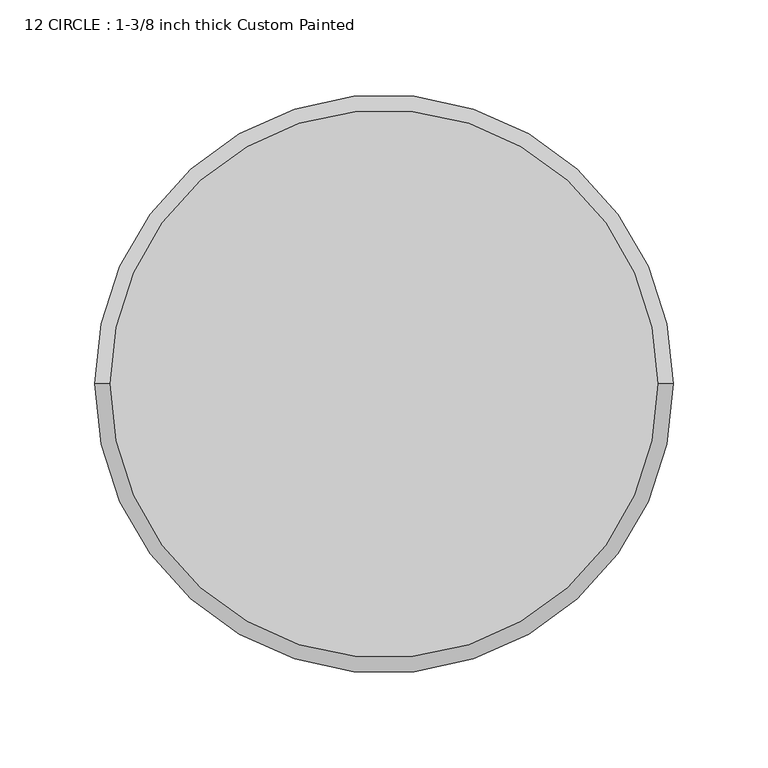
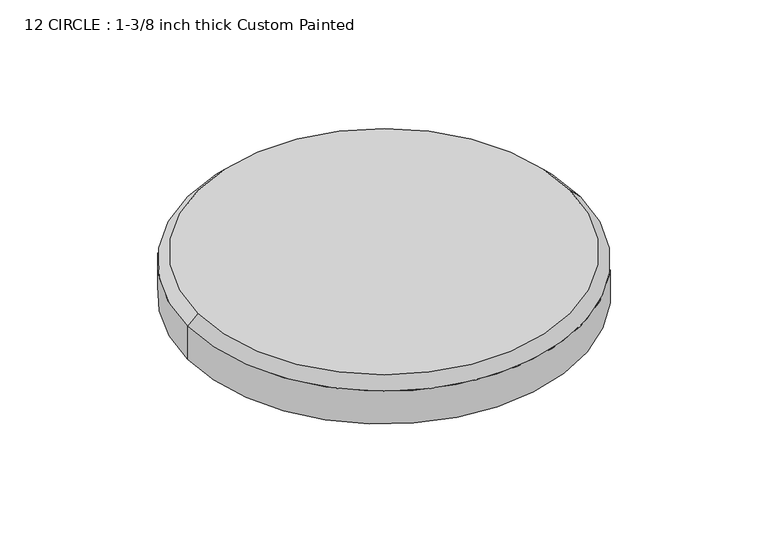
"""IFC4 building model written with IfcOpenShell, lengths in millimetres: proxy geometry, 12 CIRCLE : 1-3/8 inch thick Custom Painted."""

from ifc_helpers import new_model, si_unit, frame, origin, origin_with_axes, place, context, project, spatial, polyline, circle_curve, source, transform, mapped, element, save
from ifc_brep_helpers import plane_surface, cylinder_surface, revolved_surface, advanced_brep


def proxy_12_circle_1_3_8_inch_thick_custom_painted_a09bc563(model_context):
    return source(origin(), model_context, "Body", "AdvancedBrep", [
        advanced_brep(
        [(-144.399, 0.0, 34.925), (144.399, 0.0, 34.925), (-152.4, 0.0, 0.0), (152.4, 0.0, 0.0), (152.4, 0.0, 26.924), (-152.4, 0.0, 26.924)],
        [
            (0, 1, circle_curve(frame((0.0, 0.0, 34.925), z_axis=(0.0, 0.0, 1.0), x_axis=(-1.0, 0.0, 0.0)), 144.399)),
            (1, 0, circle_curve(frame((0.0, 0.0, 34.925), z_axis=(0.0, 0.0, 1.0), x_axis=(1.0, 0.0, 0.0)), 144.399)),
            (2, 3, circle_curve(frame((0.0, 0.0, 0.0), z_axis=(0.0, 0.0, -1.0), x_axis=(1.0, 0.0, 0.0)), 152.4)),
            (3, 2, circle_curve(frame((0.0, 0.0, 0.0), z_axis=(0.0, 0.0, -1.0), x_axis=(1.0, 0.0, 0.0)), 152.4)),
            (3, 4),
            (4, 5, circle_curve(frame((0.0, 0.0, 26.924), z_axis=(0.0, 0.0, -1.0), x_axis=(1.0, 0.0, 0.0)), 152.4)),
            (5, 2),
            (5, 4, circle_curve(frame((0.0, 0.0, 26.924), z_axis=(0.0, 0.0, -1.0), x_axis=(1.0, 0.0, 0.0)), 152.4)),
            (4, 1),
            (0, 5),
        ],
        [
            plane_surface(frame((152.4, 0.0, 34.925), z_axis=(0.0, 0.0, 1.0), x_axis=(0.0, 1.0, 0.0))),
            plane_surface(frame((152.4, 0.0, 0.0), z_axis=(0.0, 0.0, -1.0), x_axis=(0.0, -1.0, 0.0))),
            cylinder_surface(origin_with_axes(), 152.4),
            revolved_surface(polyline([(-152.4, 0.0, 26.924), (-144.399, 0.0, 34.925)]), (0.0, 0.0, 34.925), (0.0, 0.0, 1.0)),
            revolved_surface(polyline([(152.4, 0.0, 26.924), (144.399, 0.0, 34.925)]), (0.0, 0.0, 34.925), (0.0, 0.0, 1.0)),
        ],
        [
            (0, [[1, 2]]),
            (1, [[3, 4]]),
            (2, [[-4, 5, 6, 7]]),
            (2, [[-3, -7, 8, -5]]),
            (3, [[9, -1, 10, -6]]),
            (4, [[-9, -8, -10, -2]]),
        ],
    ),
    ])


if __name__ == "__main__":
    model = new_model("IFC4")
    model_context = context("Model", 3, world=origin())
    ifc_project = project(units=[si_unit("LENGTHUNIT", "METRE", prefix="MILLI")], contexts=[model_context])
    site = spatial("IfcSite", under=ifc_project)
    building = spatial("IfcBuilding", under=site)
    placement = place(None, origin())
    proxy_12_circle_1_3_8_inch_thick_custom_painted_shape = proxy_12_circle_1_3_8_inch_thick_custom_painted_a09bc563(model_context)
    element("IfcBuildingElementProxy", 1, Name="12 CIRCLE : 1-3/8 inch thick Custom Painted", ObjectType="12 CIRCLE : 1-3/8 inch thick Custom Painted", at=placement, inside=building, context=model_context, shape_type="MappedRepresentation", body=[
        mapped(proxy_12_circle_1_3_8_inch_thick_custom_painted_shape, transform((0.0, 0.0, 0.0), x_axis=(1.0, 0.0, 0.0), y_axis=(0.0, 1.0, 0.0), z_axis=(0.0, 0.0, 1.0))),
    ])
    save(model, "model.ifc")
